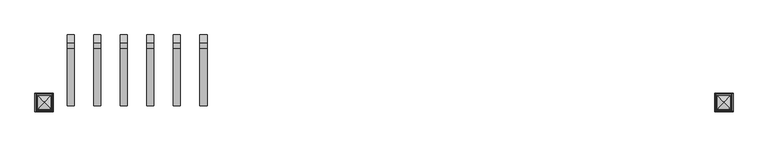
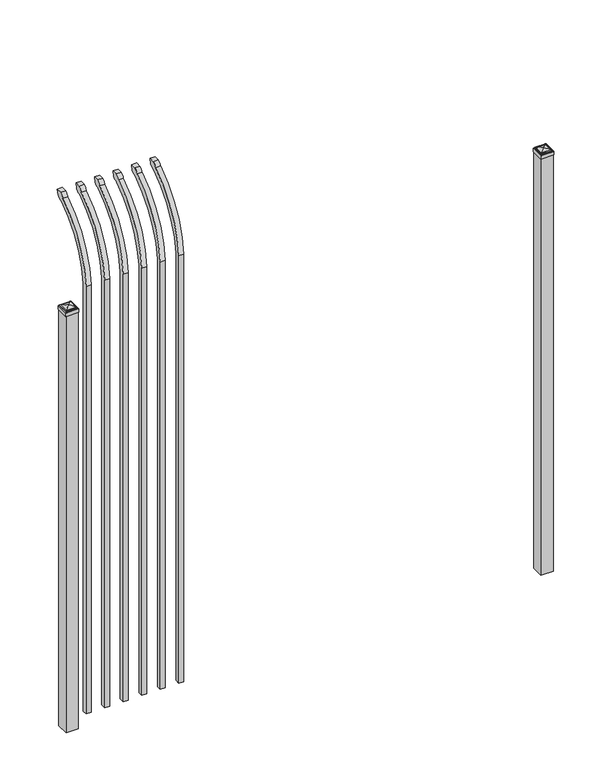
"""IFC4 building model written with IfcOpenShell, lengths in millimetres: railing geometry."""

from ifc_helpers import new_model, si_unit, point, frame, origin, origin_with_axes, place, context, project, spatial, polyline, circle_curve, ellipse_curve, trimmed, outline, extrude, source, transform, mapped, element, save
from ifc_brep_helpers import plane_surface, cylinder_surface, revolved_surface, extruded_surface, advanced_brep


def railing_1227f535(model_context):
    return source(origin(), model_context, "Body", "SolidModel", [
        advanced_brep(
        [(20603.9350064, 10381.619541, 50.8), (20603.9350064, 10381.619541, 2368.7226889), (20603.9350064, 10578.7326851, 2700.9022378), (20603.9350064, 10605.2407099, 2715.5867549), (20603.9350064, 10611.1100864, 2743.2), (20603.9350064, 10582.8799449, 2743.2), (20603.9350064, 10563.4931591, 2722.2682561), (20603.9350064, 10356.219541, 2368.7226889), (20603.9350064, 10356.219541, 50.8), (20578.5350064, 10381.619541, 50.8), (20578.5350064, 10381.619541, 2368.7226889), (20578.5350064, 10356.219541, 2368.7226889), (20578.5350064, 10356.219541, 50.8), (20578.5350064, 10563.4931591, 2722.2682561), (20578.5350064, 10582.8799449, 2743.2), (20578.5350064, 10611.1100864, 2743.2), (20578.5350064, 10605.2407099, 2715.5867549), (20578.5350064, 10578.7326851, 2700.9022378)],
        [
            (0, 1),
            (1, 2, circle_curve(frame((20603.9350064, 10818.9874207, 2333.7640776), z_axis=(-1.0, 0.0, 0.0), x_axis=(0.0, 1.0, 0.0)), 438.7627681)),
            (2, 3, ellipse_curve(frame((20603.9350064, 10586.5579376, 2723.3180619), z_axis=(1.0, 0.0, 0.0), x_axis=(0.0, -0.7771459614569761, -0.6293203910498311)), 26.7460194, 19.05)),
            (3, 4),
            (4, 5),
            (5, 6, ellipse_curve(frame((20603.9350064, 10586.5579376, 2723.3180619), z_axis=(0.9999999999999999, 0.0, 0.0), x_axis=(0.0, -0.7771459614569763, -0.6293203910498306)), 26.7460194, 19.05)),
            (6, 7, circle_curve(frame((20603.9350064, 10818.0333244, 2335.5065933), z_axis=(1.0, 0.0, 0.0), x_axis=(0.0, 1.0, 0.0)), 463.0067812)),
            (7, 8),
            (8, 0),
            (0, 9),
            (9, 10),
            (10, 1),
            (7, 11),
            (11, 12),
            (12, 8),
            (12, 9),
            (11, 13, circle_curve(frame((20578.5350064, 10818.0333244, 2335.5065933), z_axis=(-1.0, 0.0, 0.0), x_axis=(0.0, 1.0, 0.0)), 463.0067812)),
            (13, 14, ellipse_curve(frame((20578.5350064, 10586.5579376, 2723.3180619), z_axis=(-0.9999999999999999, 0.0, 0.0), x_axis=(0.0, -0.7771459614569763, -0.6293203910498306)), 26.7460194, 19.05)),
            (14, 15),
            (15, 16),
            (16, 17, ellipse_curve(frame((20578.5350064, 10586.5579376, 2723.3180619), z_axis=(-1.0, 0.0, 0.0), x_axis=(0.0, -0.7771459614569761, -0.6293203910498311)), 26.7460194, 19.05)),
            (17, 10, circle_curve(frame((20578.5350064, 10818.9874207, 2333.7640776), z_axis=(1.0, 0.0, 0.0), x_axis=(0.0, 1.0, 0.0)), 438.7627681)),
            (17, 2),
            (16, 3),
            (15, 4),
            (14, 5),
            (13, 6),
        ],
        [
            plane_surface(frame((20603.9350064, 10381.619541, 50.8), z_axis=(1.0, 0.0, 0.0), x_axis=(0.0, 0.0, 1.0))),
            plane_surface(frame((20603.9350064, 10381.619541, 50.8), z_axis=(0.0, 1.0, 0.0), x_axis=(-1.0, 0.0, 0.0))),
            plane_surface(frame((20603.9350064, 10356.219541, 2368.7226889), z_axis=(0.0, -1.0, 0.0), x_axis=(-1.0, 0.0, 0.0))),
            plane_surface(frame((20603.9350064, 10356.219541, 50.8), z_axis=(0.0, 0.0, -1.0), x_axis=(-1.0, 0.0, 0.0))),
            plane_surface(frame((20578.5350064, 10381.619541, 50.8), z_axis=(-1.0, 0.0, 0.0), x_axis=(0.0, 0.0, -1.0))),
            revolved_surface(polyline([(20578.5350064, 11257.750188799999, 2333.7640776), (20603.9350064, 11257.750188799999, 2333.7640776)]), (20578.5350064, 10818.9874207, 2333.7640776), (-1.0, 0.0, 0.0)),
            extruded_surface(trimmed(ellipse_curve(frame((20553.1350064, 10586.5579376, 2723.3180619), z_axis=(1.0, 0.0, 0.0), x_axis=(0.0, -0.7771459614569761, -0.6293203910498311)), 26.7460194, 19.05), [point((20553.1350064, 10578.7326851, 2700.9022378))], [point((20553.1350064, 10605.2407099, 2715.5867549))], True, "CARTESIAN"), (25.400000000001455, 0.0, 0.0), 25.400000000001455),
            plane_surface(frame((20603.9350064, 10605.2407099, 2715.5867549), z_axis=(0.0, 0.9781476007337995, -0.2079116908177883), x_axis=(-1.0, 0.0, 0.0))),
            plane_surface(frame((20603.9350064, 10611.1100864, 2743.2), z_axis=(0.0, 0.0, 1.0), x_axis=(-1.0, 0.0, 0.0))),
            extruded_surface(trimmed(ellipse_curve(frame((20553.1350064, 10586.5579376, 2723.3180619), z_axis=(0.9999999999999999, 0.0, 0.0), x_axis=(0.0, -0.7771459614569763, -0.6293203910498306)), 26.7460194, 19.05), [point((20553.1350064, 10582.8799449, 2743.2))], [point((20553.1350064, 10563.4931591, 2722.2682561))], True, "CARTESIAN"), (25.400000000001455, 0.0, 0.0), 25.400000000001455),
            cylinder_surface(frame((20578.5350064, 10818.0333244, 2335.5065933), z_axis=(1.0, 0.0, 0.0), x_axis=(0.0, 1.0, 0.0)), 463.0067812),
        ],
        [
            (0, [[1, 2, 3, 4, 5, 6, 7, 8, 9]]),
            (1, [[-1, 10, 11, 12]]),
            (2, [[-8, 13, 14, 15]]),
            (3, [[-9, -15, 16, -10]]),
            (4, [[-16, -14, 17, 18, 19, 20, 21, 22, -11]]),
            (5, [[-2, -12, -22, 23]]),
            (6, [[-3, -23, -21, 24]]),
            (7, [[-4, -24, -20, 25]]),
            (8, [[-5, -25, -19, 26]]),
            (9, [[-6, -26, -18, 27]]),
            (10, [[-7, -27, -17, -13]]),
        ],
    ),
        advanced_brep(
        [(20508.6850064, 10381.619541, 50.8), (20508.6850064, 10381.619541, 2368.7226889), (20508.6850064, 10578.7326851, 2700.9022378), (20508.6850064, 10605.2407099, 2715.5867549), (20508.6850064, 10611.1100864, 2743.2), (20508.6850064, 10582.8799449, 2743.2), (20508.6850064, 10563.4931591, 2722.2682561), (20508.6850064, 10356.219541, 2368.7226889), (20508.6850064, 10356.219541, 50.8), (20483.2850064, 10381.619541, 50.8), (20483.2850064, 10381.619541, 2368.7226889), (20483.2850064, 10356.219541, 2368.7226889), (20483.2850064, 10356.219541, 50.8), (20483.2850064, 10563.4931591, 2722.2682561), (20483.2850064, 10582.8799449, 2743.2), (20483.2850064, 10611.1100864, 2743.2), (20483.2850064, 10605.2407099, 2715.5867549), (20483.2850064, 10578.7326851, 2700.9022378)],
        [
            (0, 1),
            (1, 2, circle_curve(frame((20508.6850064, 10818.9874207, 2333.7640776), z_axis=(-1.0, 0.0, 0.0), x_axis=(0.0, 1.0, 0.0)), 438.7627681)),
            (2, 3, ellipse_curve(frame((20508.6850064, 10586.5579376, 2723.3180619), z_axis=(1.0, 0.0, 0.0), x_axis=(0.0, -0.7771459614569761, -0.6293203910498311)), 26.7460194, 19.05)),
            (3, 4),
            (4, 5),
            (5, 6, ellipse_curve(frame((20508.6850064, 10586.5579376, 2723.3180619), z_axis=(0.9999999999999999, 0.0, 0.0), x_axis=(0.0, -0.7771459614569763, -0.6293203910498306)), 26.7460194, 19.05)),
            (6, 7, circle_curve(frame((20508.6850064, 10818.0333244, 2335.5065933), z_axis=(1.0, 0.0, 0.0), x_axis=(0.0, 1.0, 0.0)), 463.0067812)),
            (7, 8),
            (8, 0),
            (0, 9),
            (9, 10),
            (10, 1),
            (7, 11),
            (11, 12),
            (12, 8),
            (12, 9),
            (11, 13, circle_curve(frame((20483.2850064, 10818.0333244, 2335.5065933), z_axis=(-1.0, 0.0, 0.0), x_axis=(0.0, 1.0, 0.0)), 463.0067812)),
            (13, 14, ellipse_curve(frame((20483.2850064, 10586.5579376, 2723.3180619), z_axis=(-0.9999999999999999, 0.0, 0.0), x_axis=(0.0, -0.7771459614569763, -0.6293203910498306)), 26.7460194, 19.05)),
            (14, 15),
            (15, 16),
            (16, 17, ellipse_curve(frame((20483.2850064, 10586.5579376, 2723.3180619), z_axis=(-1.0, 0.0, 0.0), x_axis=(0.0, -0.7771459614569761, -0.6293203910498311)), 26.7460194, 19.05)),
            (17, 10, circle_curve(frame((20483.2850064, 10818.9874207, 2333.7640776), z_axis=(1.0, 0.0, 0.0), x_axis=(0.0, 1.0, 0.0)), 438.7627681)),
            (17, 2),
            (16, 3),
            (15, 4),
            (14, 5),
            (13, 6),
        ],
        [
            plane_surface(frame((20508.6850064, 10381.619541, 50.8), z_axis=(1.0, 0.0, 0.0), x_axis=(0.0, 0.0, 1.0))),
            plane_surface(frame((20508.6850064, 10381.619541, 50.8), z_axis=(0.0, 1.0, 0.0), x_axis=(-1.0, 0.0, 0.0))),
            plane_surface(frame((20508.6850064, 10356.219541, 2368.7226889), z_axis=(0.0, -1.0, 0.0), x_axis=(-1.0, 0.0, 0.0))),
            plane_surface(frame((20508.6850064, 10356.219541, 50.8), z_axis=(0.0, 0.0, -1.0), x_axis=(-1.0, 0.0, 0.0))),
            plane_surface(frame((20483.2850064, 10381.619541, 50.8), z_axis=(-1.0, 0.0, 0.0), x_axis=(0.0, 0.0, -1.0))),
            revolved_surface(polyline([(20483.2850064, 11257.750188799999, 2333.7640776), (20508.6850064, 11257.750188799999, 2333.7640776)]), (20483.2850064, 10818.9874207, 2333.7640776), (-1.0, 0.0, 0.0)),
            extruded_surface(trimmed(ellipse_curve(frame((20457.8850064, 10586.5579376, 2723.3180619), z_axis=(1.0, 0.0, 0.0), x_axis=(0.0, -0.7771459614569761, -0.6293203910498311)), 26.7460194, 19.05), [point((20457.8850064, 10578.7326851, 2700.9022378))], [point((20457.8850064, 10605.2407099, 2715.5867549))], True, "CARTESIAN"), (25.400000000001455, 0.0, 0.0), 25.400000000001455),
            plane_surface(frame((20508.6850064, 10605.2407099, 2715.5867549), z_axis=(0.0, 0.9781476007337995, -0.2079116908177883), x_axis=(-1.0, 0.0, 0.0))),
            plane_surface(frame((20508.6850064, 10611.1100864, 2743.2), z_axis=(0.0, 0.0, 1.0), x_axis=(-1.0, 0.0, 0.0))),
            extruded_surface(trimmed(ellipse_curve(frame((20457.8850064, 10586.5579376, 2723.3180619), z_axis=(0.9999999999999999, 0.0, 0.0), x_axis=(0.0, -0.7771459614569763, -0.6293203910498306)), 26.7460194, 19.05), [point((20457.8850064, 10582.8799449, 2743.2))], [point((20457.8850064, 10563.4931591, 2722.2682561))], True, "CARTESIAN"), (25.400000000001455, 0.0, 0.0), 25.400000000001455),
            cylinder_surface(frame((20483.2850064, 10818.0333244, 2335.5065933), z_axis=(1.0, 0.0, 0.0), x_axis=(0.0, 1.0, 0.0)), 463.0067812),
        ],
        [
            (0, [[1, 2, 3, 4, 5, 6, 7, 8, 9]]),
            (1, [[-1, 10, 11, 12]]),
            (2, [[-8, 13, 14, 15]]),
            (3, [[-9, -15, 16, -10]]),
            (4, [[-16, -14, 17, 18, 19, 20, 21, 22, -11]]),
            (5, [[-2, -12, -22, 23]]),
            (6, [[-3, -23, -21, 24]]),
            (7, [[-4, -24, -20, 25]]),
            (8, [[-5, -25, -19, 26]]),
            (9, [[-6, -26, -18, 27]]),
            (10, [[-7, -27, -17, -13]]),
        ],
    ),
        advanced_brep(
        [(20413.4350064, 10381.619541, 50.8), (20413.4350064, 10381.619541, 2368.7226889), (20413.4350064, 10578.7326851, 2700.9022378), (20413.4350064, 10605.2407099, 2715.5867549), (20413.4350064, 10611.1100864, 2743.2), (20413.4350064, 10582.8799449, 2743.2), (20413.4350064, 10563.4931591, 2722.2682561), (20413.4350064, 10356.219541, 2368.7226889), (20413.4350064, 10356.219541, 50.8), (20388.0350064, 10381.619541, 50.8), (20388.0350064, 10381.619541, 2368.7226889), (20388.0350064, 10356.219541, 2368.7226889), (20388.0350064, 10356.219541, 50.8), (20388.0350064, 10563.4931591, 2722.2682561), (20388.0350064, 10582.8799449, 2743.2), (20388.0350064, 10611.1100864, 2743.2), (20388.0350064, 10605.2407099, 2715.5867549), (20388.0350064, 10578.7326851, 2700.9022378)],
        [
            (0, 1),
            (1, 2, circle_curve(frame((20413.4350064, 10818.9874207, 2333.7640776), z_axis=(-1.0, 0.0, 0.0), x_axis=(0.0, 1.0, 0.0)), 438.7627681)),
            (2, 3, ellipse_curve(frame((20413.4350064, 10586.5579376, 2723.3180619), z_axis=(1.0, 0.0, 0.0), x_axis=(0.0, -0.7771459614569761, -0.6293203910498311)), 26.7460194, 19.05)),
            (3, 4),
            (4, 5),
            (5, 6, ellipse_curve(frame((20413.4350064, 10586.5579376, 2723.3180619), z_axis=(0.9999999999999999, 0.0, 0.0), x_axis=(0.0, -0.7771459614569763, -0.6293203910498306)), 26.7460194, 19.05)),
            (6, 7, circle_curve(frame((20413.4350064, 10818.0333244, 2335.5065933), z_axis=(1.0, 0.0, 0.0), x_axis=(0.0, 1.0, 0.0)), 463.0067812)),
            (7, 8),
            (8, 0),
            (0, 9),
            (9, 10),
            (10, 1),
            (7, 11),
            (11, 12),
            (12, 8),
            (12, 9),
            (11, 13, circle_curve(frame((20388.0350064, 10818.0333244, 2335.5065933), z_axis=(-1.0, 0.0, 0.0), x_axis=(0.0, 1.0, 0.0)), 463.0067812)),
            (13, 14, ellipse_curve(frame((20388.0350064, 10586.5579376, 2723.3180619), z_axis=(-0.9999999999999999, 0.0, 0.0), x_axis=(0.0, -0.7771459614569763, -0.6293203910498306)), 26.7460194, 19.05)),
            (14, 15),
            (15, 16),
            (16, 17, ellipse_curve(frame((20388.0350064, 10586.5579376, 2723.3180619), z_axis=(-1.0, 0.0, 0.0), x_axis=(0.0, -0.7771459614569761, -0.6293203910498311)), 26.7460194, 19.05)),
            (17, 10, circle_curve(frame((20388.0350064, 10818.9874207, 2333.7640776), z_axis=(1.0, 0.0, 0.0), x_axis=(0.0, 1.0, 0.0)), 438.7627681)),
            (17, 2),
            (16, 3),
            (15, 4),
            (14, 5),
            (13, 6),
        ],
        [
            plane_surface(frame((20413.4350064, 10381.619541, 50.8), z_axis=(1.0, 0.0, 0.0), x_axis=(0.0, 0.0, 1.0))),
            plane_surface(frame((20413.4350064, 10381.619541, 50.8), z_axis=(0.0, 1.0, 0.0), x_axis=(-1.0, 0.0, 0.0))),
            plane_surface(frame((20413.4350064, 10356.219541, 2368.7226889), z_axis=(0.0, -1.0, 0.0), x_axis=(-1.0, 0.0, 0.0))),
            plane_surface(frame((20413.4350064, 10356.219541, 50.8), z_axis=(0.0, 0.0, -1.0), x_axis=(-1.0, 0.0, 0.0))),
            plane_surface(frame((20388.0350064, 10381.619541, 50.8), z_axis=(-1.0, 0.0, 0.0), x_axis=(0.0, 0.0, -1.0))),
            revolved_surface(polyline([(20388.0350064, 11257.750188799999, 2333.7640776), (20413.4350064, 11257.750188799999, 2333.7640776)]), (20388.0350064, 10818.9874207, 2333.7640776), (-1.0, 0.0, 0.0)),
            extruded_surface(trimmed(ellipse_curve(frame((20362.6350064, 10586.5579376, 2723.3180619), z_axis=(1.0, 0.0, 0.0), x_axis=(0.0, -0.7771459614569761, -0.6293203910498311)), 26.7460194, 19.05), [point((20362.6350064, 10578.7326851, 2700.9022378))], [point((20362.6350064, 10605.2407099, 2715.5867549))], True, "CARTESIAN"), (25.400000000001455, 0.0, 0.0), 25.400000000001455),
            plane_surface(frame((20413.4350064, 10605.2407099, 2715.5867549), z_axis=(0.0, 0.9781476007337995, -0.2079116908177883), x_axis=(-1.0, 0.0, 0.0))),
            plane_surface(frame((20413.4350064, 10611.1100864, 2743.2), z_axis=(0.0, 0.0, 1.0), x_axis=(-1.0, 0.0, 0.0))),
            extruded_surface(trimmed(ellipse_curve(frame((20362.6350064, 10586.5579376, 2723.3180619), z_axis=(0.9999999999999999, 0.0, 0.0), x_axis=(0.0, -0.7771459614569763, -0.6293203910498306)), 26.7460194, 19.05), [point((20362.6350064, 10582.8799449, 2743.2))], [point((20362.6350064, 10563.4931591, 2722.2682561))], True, "CARTESIAN"), (25.400000000001455, 0.0, 0.0), 25.400000000001455),
            cylinder_surface(frame((20388.0350064, 10818.0333244, 2335.5065933), z_axis=(1.0, 0.0, 0.0), x_axis=(0.0, 1.0, 0.0)), 463.0067812),
        ],
        [
            (0, [[1, 2, 3, 4, 5, 6, 7, 8, 9]]),
            (1, [[-1, 10, 11, 12]]),
            (2, [[-8, 13, 14, 15]]),
            (3, [[-9, -15, 16, -10]]),
            (4, [[-16, -14, 17, 18, 19, 20, 21, 22, -11]]),
            (5, [[-2, -12, -22, 23]]),
            (6, [[-3, -23, -21, 24]]),
            (7, [[-4, -24, -20, 25]]),
            (8, [[-5, -25, -19, 26]]),
            (9, [[-6, -26, -18, 27]]),
            (10, [[-7, -27, -17, -13]]),
        ],
    ),
        advanced_brep(
        [(20318.1850064, 10381.619541, 50.8), (20318.1850064, 10381.619541, 2368.7226889), (20318.1850064, 10578.7326851, 2700.9022378), (20318.1850064, 10605.2407099, 2715.5867549), (20318.1850064, 10611.1100864, 2743.2), (20318.1850064, 10582.8799449, 2743.2), (20318.1850064, 10563.4931591, 2722.2682561), (20318.1850064, 10356.219541, 2368.7226889), (20318.1850064, 10356.219541, 50.8), (20292.7850064, 10381.619541, 50.8), (20292.7850064, 10381.619541, 2368.7226889), (20292.7850064, 10356.219541, 2368.7226889), (20292.7850064, 10356.219541, 50.8), (20292.7850064, 10563.4931591, 2722.2682561), (20292.7850064, 10582.8799449, 2743.2), (20292.7850064, 10611.1100864, 2743.2), (20292.7850064, 10605.2407099, 2715.5867549), (20292.7850064, 10578.7326851, 2700.9022378)],
        [
            (0, 1),
            (1, 2, circle_curve(frame((20318.1850064, 10818.9874207, 2333.7640776), z_axis=(-1.0, 0.0, 0.0), x_axis=(0.0, 1.0, 0.0)), 438.7627681)),
            (2, 3, ellipse_curve(frame((20318.1850064, 10586.5579376, 2723.3180619), z_axis=(1.0, 0.0, 0.0), x_axis=(0.0, -0.7771459614569761, -0.6293203910498311)), 26.7460194, 19.05)),
            (3, 4),
            (4, 5),
            (5, 6, ellipse_curve(frame((20318.1850064, 10586.5579376, 2723.3180619), z_axis=(0.9999999999999999, 0.0, 0.0), x_axis=(0.0, -0.7771459614569763, -0.6293203910498306)), 26.7460194, 19.05)),
            (6, 7, circle_curve(frame((20318.1850064, 10818.0333244, 2335.5065933), z_axis=(1.0, 0.0, 0.0), x_axis=(0.0, 1.0, 0.0)), 463.0067812)),
            (7, 8),
            (8, 0),
            (0, 9),
            (9, 10),
            (10, 1),
            (7, 11),
            (11, 12),
            (12, 8),
            (12, 9),
            (11, 13, circle_curve(frame((20292.7850064, 10818.0333244, 2335.5065933), z_axis=(-1.0, 0.0, 0.0), x_axis=(0.0, 1.0, 0.0)), 463.0067812)),
            (13, 14, ellipse_curve(frame((20292.7850064, 10586.5579376, 2723.3180619), z_axis=(-0.9999999999999999, 0.0, 0.0), x_axis=(0.0, -0.7771459614569763, -0.6293203910498306)), 26.7460194, 19.05)),
            (14, 15),
            (15, 16),
            (16, 17, ellipse_curve(frame((20292.7850064, 10586.5579376, 2723.3180619), z_axis=(-1.0, 0.0, 0.0), x_axis=(0.0, -0.7771459614569761, -0.6293203910498311)), 26.7460194, 19.05)),
            (17, 10, circle_curve(frame((20292.7850064, 10818.9874207, 2333.7640776), z_axis=(1.0, 0.0, 0.0), x_axis=(0.0, 1.0, 0.0)), 438.7627681)),
            (17, 2),
            (16, 3),
            (15, 4),
            (14, 5),
            (13, 6),
        ],
        [
            plane_surface(frame((20318.1850064, 10381.619541, 50.8), z_axis=(1.0, 0.0, 0.0), x_axis=(0.0, 0.0, 1.0))),
            plane_surface(frame((20318.1850064, 10381.619541, 50.8), z_axis=(0.0, 1.0, 0.0), x_axis=(-1.0, 0.0, 0.0))),
            plane_surface(frame((20318.1850064, 10356.219541, 2368.7226889), z_axis=(0.0, -1.0, 0.0), x_axis=(-1.0, 0.0, 0.0))),
            plane_surface(frame((20318.1850064, 10356.219541, 50.8), z_axis=(0.0, 0.0, -1.0), x_axis=(-1.0, 0.0, 0.0))),
            plane_surface(frame((20292.7850064, 10381.619541, 50.8), z_axis=(-1.0, 0.0, 0.0), x_axis=(0.0, 0.0, -1.0))),
            revolved_surface(polyline([(20292.7850064, 11257.750188799999, 2333.7640776), (20318.1850064, 11257.750188799999, 2333.7640776)]), (20292.7850064, 10818.9874207, 2333.7640776), (-1.0, 0.0, 0.0)),
            extruded_surface(trimmed(ellipse_curve(frame((20267.3850064, 10586.5579376, 2723.3180619), z_axis=(1.0, 0.0, 0.0), x_axis=(0.0, -0.7771459614569761, -0.6293203910498311)), 26.7460194, 19.05), [point((20267.3850064, 10578.7326851, 2700.9022378))], [point((20267.3850064, 10605.2407099, 2715.5867549))], True, "CARTESIAN"), (25.400000000001455, 0.0, 0.0), 25.400000000001455),
            plane_surface(frame((20318.1850064, 10605.2407099, 2715.5867549), z_axis=(0.0, 0.9781476007337995, -0.2079116908177883), x_axis=(-1.0, 0.0, 0.0))),
            plane_surface(frame((20318.1850064, 10611.1100864, 2743.2), z_axis=(0.0, 0.0, 1.0), x_axis=(-1.0, 0.0, 0.0))),
            extruded_surface(trimmed(ellipse_curve(frame((20267.3850064, 10586.5579376, 2723.3180619), z_axis=(0.9999999999999999, 0.0, 0.0), x_axis=(0.0, -0.7771459614569763, -0.6293203910498306)), 26.7460194, 19.05), [point((20267.3850064, 10582.8799449, 2743.2))], [point((20267.3850064, 10563.4931591, 2722.2682561))], True, "CARTESIAN"), (25.400000000001455, 0.0, 0.0), 25.400000000001455),
            cylinder_surface(frame((20292.7850064, 10818.0333244, 2335.5065933), z_axis=(1.0, 0.0, 0.0), x_axis=(0.0, 1.0, 0.0)), 463.0067812),
        ],
        [
            (0, [[1, 2, 3, 4, 5, 6, 7, 8, 9]]),
            (1, [[-1, 10, 11, 12]]),
            (2, [[-8, 13, 14, 15]]),
            (3, [[-9, -15, 16, -10]]),
            (4, [[-16, -14, 17, 18, 19, 20, 21, 22, -11]]),
            (5, [[-2, -12, -22, 23]]),
            (6, [[-3, -23, -21, 24]]),
            (7, [[-4, -24, -20, 25]]),
            (8, [[-5, -25, -19, 26]]),
            (9, [[-6, -26, -18, 27]]),
            (10, [[-7, -27, -17, -13]]),
        ],
    ),
        advanced_brep(
        [(20222.9350064, 10381.619541, 50.8), (20222.9350064, 10381.619541, 2368.7226889), (20222.9350064, 10578.7326851, 2700.9022378), (20222.9350064, 10605.2407099, 2715.5867549), (20222.9350064, 10611.1100864, 2743.2), (20222.9350064, 10582.8799449, 2743.2), (20222.9350064, 10563.4931591, 2722.2682561), (20222.9350064, 10356.219541, 2368.7226889), (20222.9350064, 10356.219541, 50.8), (20197.5350064, 10381.619541, 50.8), (20197.5350064, 10381.619541, 2368.7226889), (20197.5350064, 10356.219541, 2368.7226889), (20197.5350064, 10356.219541, 50.8), (20197.5350064, 10563.4931591, 2722.2682561), (20197.5350064, 10582.8799449, 2743.2), (20197.5350064, 10611.1100864, 2743.2), (20197.5350064, 10605.2407099, 2715.5867549), (20197.5350064, 10578.7326851, 2700.9022378)],
        [
            (0, 1),
            (1, 2, circle_curve(frame((20222.9350064, 10818.9874207, 2333.7640776), z_axis=(-1.0, 0.0, 0.0), x_axis=(0.0, 1.0, 0.0)), 438.7627681)),
            (2, 3, ellipse_curve(frame((20222.9350064, 10586.5579376, 2723.3180619), z_axis=(1.0, 0.0, 0.0), x_axis=(0.0, -0.7771459614569761, -0.6293203910498311)), 26.7460194, 19.05)),
            (3, 4),
            (4, 5),
            (5, 6, ellipse_curve(frame((20222.9350064, 10586.5579376, 2723.3180619), z_axis=(0.9999999999999999, 0.0, 0.0), x_axis=(0.0, -0.7771459614569763, -0.6293203910498306)), 26.7460194, 19.05)),
            (6, 7, circle_curve(frame((20222.9350064, 10818.0333244, 2335.5065933), z_axis=(1.0, 0.0, 0.0), x_axis=(0.0, 1.0, 0.0)), 463.0067812)),
            (7, 8),
            (8, 0),
            (0, 9),
            (9, 10),
            (10, 1),
            (7, 11),
            (11, 12),
            (12, 8),
            (12, 9),
            (11, 13, circle_curve(frame((20197.5350064, 10818.0333244, 2335.5065933), z_axis=(-1.0, 0.0, 0.0), x_axis=(0.0, 1.0, 0.0)), 463.0067812)),
            (13, 14, ellipse_curve(frame((20197.5350064, 10586.5579376, 2723.3180619), z_axis=(-0.9999999999999999, 0.0, 0.0), x_axis=(0.0, -0.7771459614569763, -0.6293203910498306)), 26.7460194, 19.05)),
            (14, 15),
            (15, 16),
            (16, 17, ellipse_curve(frame((20197.5350064, 10586.5579376, 2723.3180619), z_axis=(-1.0, 0.0, 0.0), x_axis=(0.0, -0.7771459614569761, -0.6293203910498311)), 26.7460194, 19.05)),
            (17, 10, circle_curve(frame((20197.5350064, 10818.9874207, 2333.7640776), z_axis=(1.0, 0.0, 0.0), x_axis=(0.0, 1.0, 0.0)), 438.7627681)),
            (17, 2),
            (16, 3),
            (15, 4),
            (14, 5),
            (13, 6),
        ],
        [
            plane_surface(frame((20222.9350064, 10381.619541, 50.8), z_axis=(1.0, 0.0, 0.0), x_axis=(0.0, 0.0, 1.0))),
            plane_surface(frame((20222.9350064, 10381.619541, 50.8), z_axis=(0.0, 1.0, 0.0), x_axis=(-1.0, 0.0, 0.0))),
            plane_surface(frame((20222.9350064, 10356.219541, 2368.7226889), z_axis=(0.0, -1.0, 0.0), x_axis=(-1.0, 0.0, 0.0))),
            plane_surface(frame((20222.9350064, 10356.219541, 50.8), z_axis=(0.0, 0.0, -1.0), x_axis=(-1.0, 0.0, 0.0))),
            plane_surface(frame((20197.5350064, 10381.619541, 50.8), z_axis=(-1.0, 0.0, 0.0), x_axis=(0.0, 0.0, -1.0))),
            revolved_surface(polyline([(20197.5350064, 11257.750188799999, 2333.7640776), (20222.9350064, 11257.750188799999, 2333.7640776)]), (20197.5350064, 10818.9874207, 2333.7640776), (-1.0, 0.0, 0.0)),
            extruded_surface(trimmed(ellipse_curve(frame((20172.1350064, 10586.5579376, 2723.3180619), z_axis=(1.0, 0.0, 0.0), x_axis=(0.0, -0.7771459614569761, -0.6293203910498311)), 26.7460194, 19.05), [point((20172.1350064, 10578.7326851, 2700.9022378))], [point((20172.1350064, 10605.2407099, 2715.5867549))], True, "CARTESIAN"), (25.400000000001455, 0.0, 0.0), 25.400000000001455),
            plane_surface(frame((20222.9350064, 10605.2407099, 2715.5867549), z_axis=(0.0, 0.9781476007337995, -0.2079116908177883), x_axis=(-1.0, 0.0, 0.0))),
            plane_surface(frame((20222.9350064, 10611.1100864, 2743.2), z_axis=(0.0, 0.0, 1.0), x_axis=(-1.0, 0.0, 0.0))),
            extruded_surface(trimmed(ellipse_curve(frame((20172.1350064, 10586.5579376, 2723.3180619), z_axis=(0.9999999999999999, 0.0, 0.0), x_axis=(0.0, -0.7771459614569763, -0.6293203910498306)), 26.7460194, 19.05), [point((20172.1350064, 10582.8799449, 2743.2))], [point((20172.1350064, 10563.4931591, 2722.2682561))], True, "CARTESIAN"), (25.400000000001455, 0.0, 0.0), 25.400000000001455),
            cylinder_surface(frame((20197.5350064, 10818.0333244, 2335.5065933), z_axis=(1.0, 0.0, 0.0), x_axis=(0.0, 1.0, 0.0)), 463.0067812),
        ],
        [
            (0, [[1, 2, 3, 4, 5, 6, 7, 8, 9]]),
            (1, [[-1, 10, 11, 12]]),
            (2, [[-8, 13, 14, 15]]),
            (3, [[-9, -15, 16, -10]]),
            (4, [[-16, -14, 17, 18, 19, 20, 21, 22, -11]]),
            (5, [[-2, -12, -22, 23]]),
            (6, [[-3, -23, -21, 24]]),
            (7, [[-4, -24, -20, 25]]),
            (8, [[-5, -25, -19, 26]]),
            (9, [[-6, -26, -18, 27]]),
            (10, [[-7, -27, -17, -13]]),
        ],
    ),
        advanced_brep(
        [(20127.6850064, 10381.619541, 50.8), (20127.6850064, 10381.619541, 2368.7226889), (20127.6850064, 10578.7326851, 2700.9022378), (20127.6850064, 10605.2407099, 2715.5867549), (20127.6850064, 10611.1100864, 2743.2), (20127.6850064, 10582.8799449, 2743.2), (20127.6850064, 10563.4931591, 2722.2682561), (20127.6850064, 10356.219541, 2368.7226889), (20127.6850064, 10356.219541, 50.8), (20102.2850064, 10381.619541, 50.8), (20102.2850064, 10381.619541, 2368.7226889), (20102.2850064, 10356.219541, 2368.7226889), (20102.2850064, 10356.219541, 50.8), (20102.2850064, 10563.4931591, 2722.2682561), (20102.2850064, 10582.8799449, 2743.2), (20102.2850064, 10611.1100864, 2743.2), (20102.2850064, 10605.2407099, 2715.5867549), (20102.2850064, 10578.7326851, 2700.9022378)],
        [
            (0, 1),
            (1, 2, circle_curve(frame((20127.6850064, 10818.9874207, 2333.7640776), z_axis=(-1.0, 0.0, 0.0), x_axis=(0.0, 1.0, 0.0)), 438.7627681)),
            (2, 3, ellipse_curve(frame((20127.6850064, 10586.5579376, 2723.3180619), z_axis=(1.0, 0.0, 0.0), x_axis=(0.0, -0.7771459614569761, -0.6293203910498311)), 26.7460194, 19.05)),
            (3, 4),
            (4, 5),
            (5, 6, ellipse_curve(frame((20127.6850064, 10586.5579376, 2723.3180619), z_axis=(0.9999999999999999, 0.0, 0.0), x_axis=(0.0, -0.7771459614569763, -0.6293203910498306)), 26.7460194, 19.05)),
            (6, 7, circle_curve(frame((20127.6850064, 10818.0333244, 2335.5065933), z_axis=(1.0, 0.0, 0.0), x_axis=(0.0, 1.0, 0.0)), 463.0067812)),
            (7, 8),
            (8, 0),
            (0, 9),
            (9, 10),
            (10, 1),
            (7, 11),
            (11, 12),
            (12, 8),
            (12, 9),
            (11, 13, circle_curve(frame((20102.2850064, 10818.0333244, 2335.5065933), z_axis=(-1.0, 0.0, 0.0), x_axis=(0.0, 1.0, 0.0)), 463.0067812)),
            (13, 14, ellipse_curve(frame((20102.2850064, 10586.5579376, 2723.3180619), z_axis=(-0.9999999999999999, 0.0, 0.0), x_axis=(0.0, -0.7771459614569763, -0.6293203910498306)), 26.7460194, 19.05)),
            (14, 15),
            (15, 16),
            (16, 17, ellipse_curve(frame((20102.2850064, 10586.5579376, 2723.3180619), z_axis=(-1.0, 0.0, 0.0), x_axis=(0.0, -0.7771459614569761, -0.6293203910498311)), 26.7460194, 19.05)),
            (17, 10, circle_curve(frame((20102.2850064, 10818.9874207, 2333.7640776), z_axis=(1.0, 0.0, 0.0), x_axis=(0.0, 1.0, 0.0)), 438.7627681)),
            (17, 2),
            (16, 3),
            (15, 4),
            (14, 5),
            (13, 6),
        ],
        [
            plane_surface(frame((20127.6850064, 10381.619541, 50.8), z_axis=(1.0, 0.0, 0.0), x_axis=(0.0, 0.0, 1.0))),
            plane_surface(frame((20127.6850064, 10381.619541, 50.8), z_axis=(0.0, 1.0, 0.0), x_axis=(-1.0, 0.0, 0.0))),
            plane_surface(frame((20127.6850064, 10356.219541, 2368.7226889), z_axis=(0.0, -1.0, 0.0), x_axis=(-1.0, 0.0, 0.0))),
            plane_surface(frame((20127.6850064, 10356.219541, 50.8), z_axis=(0.0, 0.0, -1.0), x_axis=(-1.0, 0.0, 0.0))),
            plane_surface(frame((20102.2850064, 10381.619541, 50.8), z_axis=(-1.0, 0.0, 0.0), x_axis=(0.0, 0.0, -1.0))),
            revolved_surface(polyline([(20102.2850064, 11257.750188799999, 2333.7640776), (20127.6850064, 11257.750188799999, 2333.7640776)]), (20102.2850064, 10818.9874207, 2333.7640776), (-1.0, 0.0, 0.0)),
            extruded_surface(trimmed(ellipse_curve(frame((20076.8850064, 10586.5579376, 2723.3180619), z_axis=(1.0, 0.0, 0.0), x_axis=(0.0, -0.7771459614569761, -0.6293203910498311)), 26.7460194, 19.05), [point((20076.8850064, 10578.7326851, 2700.9022378))], [point((20076.8850064, 10605.2407099, 2715.5867549))], True, "CARTESIAN"), (25.400000000001455, 0.0, 0.0), 25.400000000001455),
            plane_surface(frame((20127.6850064, 10605.2407099, 2715.5867549), z_axis=(0.0, 0.9781476007337995, -0.2079116908177883), x_axis=(-1.0, 0.0, 0.0))),
            plane_surface(frame((20127.6850064, 10611.1100864, 2743.2), z_axis=(0.0, 0.0, 1.0), x_axis=(-1.0, 0.0, 0.0))),
            extruded_surface(trimmed(ellipse_curve(frame((20076.8850064, 10586.5579376, 2723.3180619), z_axis=(0.9999999999999999, 0.0, 0.0), x_axis=(0.0, -0.7771459614569763, -0.6293203910498306)), 26.7460194, 19.05), [point((20076.8850064, 10582.8799449, 2743.2))], [point((20076.8850064, 10563.4931591, 2722.2682561))], True, "CARTESIAN"), (25.400000000001455, 0.0, 0.0), 25.400000000001455),
            cylinder_surface(frame((20102.2850064, 10818.0333244, 2335.5065933), z_axis=(1.0, 0.0, 0.0), x_axis=(0.0, 1.0, 0.0)), 463.0067812),
        ],
        [
            (0, [[1, 2, 3, 4, 5, 6, 7, 8, 9]]),
            (1, [[-1, 10, 11, 12]]),
            (2, [[-8, 13, 14, 15]]),
            (3, [[-9, -15, 16, -10]]),
            (4, [[-16, -14, 17, 18, 19, 20, 21, 22, -11]]),
            (5, [[-2, -12, -22, 23]]),
            (6, [[-3, -23, -21, 24]]),
            (7, [[-4, -24, -20, 25]]),
            (8, [[-5, -25, -19, 26]]),
            (9, [[-6, -26, -18, 27]]),
            (10, [[-7, -27, -17, -13]]),
        ],
    ),
        extrude(outline(polyline([(22489.8850064, 10400.669541), (22489.8850064, 10337.169541), (22426.3850064, 10337.169541), (22426.3850064, 10400.669541), (22489.8850064, 10400.669541)])), origin_with_axes(), (0.0, 0.0, 1.0), 2259.0125),
        advanced_brep(
        [(22424.7975064, 10402.257041, 2277.26875), (22424.7975064, 10402.257041, 2259.0125), (22424.7975064, 10335.582041, 2259.0125), (22424.7975064, 10335.582041, 2277.26875), (22427.1787564, 10399.875791, 2279.65), (22427.1787564, 10337.963291, 2279.65), (22429.5600064, 10397.494541, 2282.03125), (22429.5600064, 10397.494541, 2279.65), (22429.5600064, 10340.344541, 2279.65), (22429.5600064, 10340.344541, 2282.03125), (22431.9412564, 10395.113291, 2284.4125), (22431.9412564, 10342.725791, 2284.4125), (22458.1350064, 10368.919541, 2290.7625), (22434.3225064, 10392.732041, 2284.4125), (22434.3225064, 10345.107041, 2284.4125), (22491.4725064, 10335.582041, 2259.0125), (22491.4725064, 10335.582041, 2277.26875), (22489.0912564, 10337.963291, 2279.65), (22486.7100064, 10340.344541, 2279.65), (22486.7100064, 10340.344541, 2282.03125), (22484.3287564, 10342.725791, 2284.4125), (22481.9475064, 10345.107041, 2284.4125), (22491.4725064, 10402.257041, 2259.0125), (22491.4725064, 10402.257041, 2277.26875), (22489.0912564, 10399.875791, 2279.65), (22486.7100064, 10397.494541, 2279.65), (22486.7100064, 10397.494541, 2282.03125), (22484.3287564, 10395.113291, 2284.4125), (22481.9475064, 10392.732041, 2284.4125)],
        [
            (0, 1),
            (1, 2),
            (2, 3),
            (3, 0),
            (4, 0, ellipse_curve(frame((22427.1787564, 10399.875791, 2277.26875), z_axis=(-0.70710678118655, -0.7071067811865449, 0.0), x_axis=(-0.7071067811865448, 0.7071067811865501, 0.0)), 3.367596, 2.38125)),
            (3, 5, ellipse_curve(frame((22427.1787564, 10337.963291, 2277.26875), z_axis=(-0.7071067811865449, 0.70710678118655, 0.0), x_axis=(0.7071067811865499, 0.707106781186545, 0.0)), 3.367596, 2.38125)),
            (5, 4),
            (6, 7),
            (7, 8),
            (8, 9),
            (9, 6),
            (10, 6, ellipse_curve(frame((22431.9412564, 10395.113291, 2282.03125), z_axis=(-0.70710678118655, -0.7071067811865449, 0.0), x_axis=(-0.7071067811865448, 0.7071067811865501, 0.0)), 3.367596, 2.38125)),
            (9, 11, ellipse_curve(frame((22431.9412564, 10342.725791, 2282.03125), z_axis=(-0.7071067811865449, 0.70710678118655, 0.0), x_axis=(0.7071067811865499, 0.707106781186545, 0.0)), 3.367596, 2.38125)),
            (11, 10),
            (12, 13, ellipse_curve(frame((22458.1350064, 10368.919541, 2242.9390625), z_axis=(-0.70710678118655, -0.7071067811865449, 0.0), x_axis=(-0.7071067811865448, 0.7071067811865501, 0.0)), 67.6325539, 47.8234375)),
            (13, 14),
            (14, 12, ellipse_curve(frame((22458.1350064, 10368.919541, 2242.9390625), z_axis=(-0.7071067811865449, 0.70710678118655, 0.0), x_axis=(0.7071067811865499, 0.707106781186545, 0.0)), 67.6325539, 47.8234375)),
            (2, 15),
            (15, 16),
            (16, 3),
            (16, 17, ellipse_curve(frame((22489.0912564, 10337.963291, 2277.26875), z_axis=(-0.70710678118655, -0.707106781186545, 0.0), x_axis=(-0.707106781186545, 0.70710678118655, 0.0)), 3.367596, 2.38125)),
            (17, 5),
            (8, 18),
            (18, 19),
            (19, 9),
            (19, 20, ellipse_curve(frame((22484.3287564, 10342.725791, 2282.03125), z_axis=(-0.70710678118655, -0.707106781186545, 0.0), x_axis=(-0.707106781186545, 0.70710678118655, 0.0)), 3.367596, 2.38125)),
            (20, 11),
            (14, 21),
            (21, 12, ellipse_curve(frame((22458.1350064, 10368.919541, 2242.9390625), z_axis=(-0.70710678118655, -0.707106781186545, 0.0), x_axis=(-0.707106781186545, 0.70710678118655, 0.0)), 67.6325539, 47.8234375)),
            (15, 22),
            (22, 23),
            (23, 16),
            (23, 24, ellipse_curve(frame((22489.0912564, 10399.875791, 2277.26875), z_axis=(0.707106781186545, -0.7071067811865499, 0.0), x_axis=(-0.7071067811865497, -0.7071067811865452, 0.0)), 3.367596, 2.38125)),
            (24, 17),
            (18, 25),
            (25, 26),
            (26, 19),
            (26, 27, ellipse_curve(frame((22484.3287564, 10395.113291, 2282.03125), z_axis=(0.707106781186545, -0.7071067811865499, 0.0), x_axis=(-0.7071067811865497, -0.7071067811865452, 0.0)), 3.367596, 2.38125)),
            (27, 20),
            (21, 28),
            (28, 12, ellipse_curve(frame((22458.1350064, 10368.919541, 2242.9390625), z_axis=(0.707106781186545, -0.7071067811865499, 0.0), x_axis=(-0.7071067811865497, -0.7071067811865452, 0.0)), 67.6325539, 47.8234375)),
            (22, 1),
            (0, 23),
            (4, 24),
            (7, 25),
            (6, 26),
            (10, 27),
            (13, 28),
        ],
        [
            plane_surface(frame((22424.7975064, 10402.257041, 2259.0125), z_axis=(-1.0, 0.0, 0.0), x_axis=(0.0, -1.0, 0.0))),
            cylinder_surface(frame((22427.1787564, 10400.669541, 2277.26875), z_axis=(0.0, 1.0, 0.0), x_axis=(1.0, 0.0, 0.0)), 2.38125),
            plane_surface(frame((22429.5600064, 10397.494541, 2279.65), z_axis=(-1.0, 0.0, 0.0), x_axis=(0.0, -1.0, 0.0))),
            cylinder_surface(frame((22431.9412564, 10400.669541, 2282.03125), z_axis=(0.0, 1.0, 0.0), x_axis=(1.0, 0.0, 0.0)), 2.38125),
            cylinder_surface(frame((22458.1350064, 10400.669541, 2242.9390625), z_axis=(0.0, 1.0, 0.0), x_axis=(1.0, 0.0, 0.0)), 47.8234375),
            plane_surface(frame((22424.7975064, 10335.582041, 2259.0125), z_axis=(0.0, -1.0, 0.0), x_axis=(1.0, 0.0, 0.0))),
            cylinder_surface(frame((22426.3850064, 10337.963291, 2277.26875), z_axis=(-1.0, 0.0, 0.0), x_axis=(0.0, 1.0, 0.0)), 2.38125),
            plane_surface(frame((22429.5600064, 10340.344541, 2279.65), z_axis=(0.0, -1.0, 0.0), x_axis=(1.0, 0.0, 0.0))),
            cylinder_surface(frame((22426.3850064, 10342.725791, 2282.03125), z_axis=(-1.0, 0.0, 0.0), x_axis=(0.0, 1.0, 0.0)), 2.38125),
            cylinder_surface(frame((22426.3850064, 10368.919541, 2242.9390625), z_axis=(-1.0, 0.0, 0.0), x_axis=(0.0, 1.0, 0.0)), 47.8234375),
            plane_surface(frame((22491.4725064, 10335.582041, 2259.0125), z_axis=(1.0, 0.0, 0.0), x_axis=(0.0, 1.0, 0.0))),
            cylinder_surface(frame((22489.0912564, 10337.169541, 2277.26875), z_axis=(0.0, -1.0, 0.0), x_axis=(-1.0, 0.0, 0.0)), 2.38125),
            plane_surface(frame((22486.7100064, 10340.344541, 2279.65), z_axis=(1.0, 0.0, 0.0), x_axis=(0.0, 1.0, 0.0))),
            cylinder_surface(frame((22484.3287564, 10337.169541, 2282.03125), z_axis=(0.0, -1.0, 0.0), x_axis=(-1.0, 0.0, 0.0)), 2.38125),
            cylinder_surface(frame((22458.1350064, 10337.169541, 2242.9390625), z_axis=(0.0, -1.0, 0.0), x_axis=(-1.0, 0.0, 0.0)), 47.8234375),
            plane_surface(frame((22491.4725064, 10402.257041, 2259.0125), z_axis=(0.0, 1.0, 0.0), x_axis=(-1.0, 0.0, 0.0))),
            cylinder_surface(frame((22489.8850064, 10399.875791, 2277.26875), z_axis=(1.0, 0.0, 0.0), x_axis=(0.0, -1.0, 0.0)), 2.38125),
            plane_surface(frame((22489.0912564, 10399.875791, 2279.65), z_axis=(0.0, 0.0, 1.0), x_axis=(-1.0, 0.0, 0.0))),
            plane_surface(frame((22486.7100064, 10397.494541, 2279.65), z_axis=(0.0, 1.0, 0.0), x_axis=(-1.0, 0.0, 0.0))),
            cylinder_surface(frame((22489.8850064, 10395.113291, 2282.03125), z_axis=(1.0, 0.0, 0.0), x_axis=(0.0, -1.0, 0.0)), 2.38125),
            plane_surface(frame((22484.3287564, 10395.113291, 2284.4125), z_axis=(0.0, 0.0, 1.0), x_axis=(-1.0, 0.0, 0.0))),
            cylinder_surface(frame((22489.8850064, 10368.919541, 2242.9390625), z_axis=(1.0, 0.0, 0.0), x_axis=(0.0, -1.0, 0.0)), 47.8234375),
            plane_surface(frame((22458.1350064, 10368.919541, 2259.0125), z_axis=(0.0, 0.0, -1.0), x_axis=(-1.0, 0.0, 0.0))),
        ],
        [
            (0, [[1, 2, 3, 4]]),
            (1, [[5, -4, 6, 7]]),
            (2, [[8, 9, 10, 11]]),
            (3, [[12, -11, 13, 14]]),
            (4, [[15, 16, 17]]),
            (5, [[-3, 18, 19, 20]]),
            (6, [[-6, -20, 21, 22]]),
            (7, [[-10, 23, 24, 25]]),
            (8, [[-13, -25, 26, 27]]),
            (9, [[-17, 28, 29]]),
            (10, [[-19, 30, 31, 32]]),
            (11, [[-21, -32, 33, 34]]),
            (12, [[-24, 35, 36, 37]]),
            (13, [[-26, -37, 38, 39]]),
            (14, [[-29, 40, 41]]),
            (15, [[-31, 42, -1, 43]]),
            (16, [[-33, -43, -5, 44]]),
            (17, [[-22, -34, -44, -7], [45, -35, -23, -9]]),
            (18, [[-36, -45, -8, 46]]),
            (19, [[-38, -46, -12, 47]]),
            (20, [[-27, -39, -47, -14], [48, -40, -28, -16]]),
            (21, [[-41, -48, -15]]),
            (22, [[-42, -30, -18, -2]]),
        ],
    ),
        extrude(outline(polyline([(20051.4850064, 10400.669541), (20051.4850064, 10337.169541), (19987.9850064, 10337.169541), (19987.9850064, 10400.669541), (20051.4850064, 10400.669541)])), origin_with_axes(), (0.0, 0.0, 1.0), 2259.0125),
        advanced_brep(
        [(19986.3975064, 10402.257041, 2277.26875), (19986.3975064, 10402.257041, 2259.0125), (19986.3975064, 10335.582041, 2259.0125), (19986.3975064, 10335.582041, 2277.26875), (19988.7787564, 10399.875791, 2279.65), (19988.7787564, 10337.963291, 2279.65), (19991.1600064, 10397.494541, 2282.03125), (19991.1600064, 10397.494541, 2279.65), (19991.1600064, 10340.344541, 2279.65), (19991.1600064, 10340.344541, 2282.03125), (19993.5412564, 10395.113291, 2284.4125), (19993.5412564, 10342.725791, 2284.4125), (20019.7350064, 10368.919541, 2290.7625), (19995.9225064, 10392.732041, 2284.4125), (19995.9225064, 10345.107041, 2284.4125), (20053.0725064, 10335.582041, 2259.0125), (20053.0725064, 10335.582041, 2277.26875), (20050.6912564, 10337.963291, 2279.65), (20048.3100064, 10340.344541, 2279.65), (20048.3100064, 10340.344541, 2282.03125), (20045.9287564, 10342.725791, 2284.4125), (20043.5475064, 10345.107041, 2284.4125), (20053.0725064, 10402.257041, 2259.0125), (20053.0725064, 10402.257041, 2277.26875), (20050.6912564, 10399.875791, 2279.65), (20048.3100064, 10397.494541, 2279.65), (20048.3100064, 10397.494541, 2282.03125), (20045.9287564, 10395.113291, 2284.4125), (20043.5475064, 10392.732041, 2284.4125)],
        [
            (0, 1),
            (1, 2),
            (2, 3),
            (3, 0),
            (4, 0, ellipse_curve(frame((19988.7787564, 10399.875791, 2277.26875), z_axis=(-0.70710678118655, -0.7071067811865449, 0.0), x_axis=(-0.7071067811865448, 0.7071067811865501, 0.0)), 3.367596, 2.38125)),
            (3, 5, ellipse_curve(frame((19988.7787564, 10337.963291, 2277.26875), z_axis=(-0.7071067811865449, 0.70710678118655, 0.0), x_axis=(0.7071067811865499, 0.707106781186545, 0.0)), 3.367596, 2.38125)),
            (5, 4),
            (6, 7),
            (7, 8),
            (8, 9),
            (9, 6),
            (10, 6, ellipse_curve(frame((19993.5412564, 10395.113291, 2282.03125), z_axis=(-0.70710678118655, -0.7071067811865449, 0.0), x_axis=(-0.7071067811865448, 0.7071067811865501, 0.0)), 3.367596, 2.38125)),
            (9, 11, ellipse_curve(frame((19993.5412564, 10342.725791, 2282.03125), z_axis=(-0.7071067811865449, 0.70710678118655, 0.0), x_axis=(0.7071067811865499, 0.707106781186545, 0.0)), 3.367596, 2.38125)),
            (11, 10),
            (12, 13, ellipse_curve(frame((20019.7350064, 10368.919541, 2242.9390625), z_axis=(-0.70710678118655, -0.7071067811865449, 0.0), x_axis=(-0.7071067811865448, 0.7071067811865501, 0.0)), 67.6325539, 47.8234375)),
            (13, 14),
            (14, 12, ellipse_curve(frame((20019.7350064, 10368.919541, 2242.9390625), z_axis=(-0.7071067811865449, 0.70710678118655, 0.0), x_axis=(0.7071067811865499, 0.707106781186545, 0.0)), 67.6325539, 47.8234375)),
            (2, 15),
            (15, 16),
            (16, 3),
            (16, 17, ellipse_curve(frame((20050.6912564, 10337.963291, 2277.26875), z_axis=(-0.70710678118655, -0.707106781186545, 0.0), x_axis=(-0.707106781186545, 0.70710678118655, 0.0)), 3.367596, 2.38125)),
            (17, 5),
            (8, 18),
            (18, 19),
            (19, 9),
            (19, 20, ellipse_curve(frame((20045.9287564, 10342.725791, 2282.03125), z_axis=(-0.70710678118655, -0.707106781186545, 0.0), x_axis=(-0.707106781186545, 0.70710678118655, 0.0)), 3.367596, 2.38125)),
            (20, 11),
            (14, 21),
            (21, 12, ellipse_curve(frame((20019.7350064, 10368.919541, 2242.9390625), z_axis=(-0.70710678118655, -0.707106781186545, 0.0), x_axis=(-0.707106781186545, 0.70710678118655, 0.0)), 67.6325539, 47.8234375)),
            (15, 22),
            (22, 23),
            (23, 16),
            (23, 24, ellipse_curve(frame((20050.6912564, 10399.875791, 2277.26875), z_axis=(0.707106781186545, -0.7071067811865499, 0.0), x_axis=(-0.7071067811865497, -0.7071067811865452, 0.0)), 3.367596, 2.38125)),
            (24, 17),
            (18, 25),
            (25, 26),
            (26, 19),
            (26, 27, ellipse_curve(frame((20045.9287564, 10395.113291, 2282.03125), z_axis=(0.707106781186545, -0.7071067811865499, 0.0), x_axis=(-0.7071067811865497, -0.7071067811865452, 0.0)), 3.367596, 2.38125)),
            (27, 20),
            (21, 28),
            (28, 12, ellipse_curve(frame((20019.7350064, 10368.919541, 2242.9390625), z_axis=(0.707106781186545, -0.7071067811865499, 0.0), x_axis=(-0.7071067811865497, -0.7071067811865452, 0.0)), 67.6325539, 47.8234375)),
            (22, 1),
            (0, 23),
            (4, 24),
            (7, 25),
            (6, 26),
            (10, 27),
            (13, 28),
        ],
        [
            plane_surface(frame((19986.3975064, 10402.257041, 2259.0125), z_axis=(-1.0, 0.0, 0.0), x_axis=(0.0, -1.0, 0.0))),
            cylinder_surface(frame((19988.7787564, 10400.669541, 2277.26875), z_axis=(0.0, 1.0, 0.0), x_axis=(1.0, 0.0, 0.0)), 2.38125),
            plane_surface(frame((19991.1600064, 10397.494541, 2279.65), z_axis=(-1.0, 0.0, 0.0), x_axis=(0.0, -1.0, 0.0))),
            cylinder_surface(frame((19993.5412564, 10400.669541, 2282.03125), z_axis=(0.0, 1.0, 0.0), x_axis=(1.0, 0.0, 0.0)), 2.38125),
            cylinder_surface(frame((20019.7350064, 10400.669541, 2242.9390625), z_axis=(0.0, 1.0, 0.0), x_axis=(1.0, 0.0, 0.0)), 47.8234375),
            plane_surface(frame((19986.3975064, 10335.582041, 2259.0125), z_axis=(0.0, -1.0, 0.0), x_axis=(1.0, 0.0, 0.0))),
            cylinder_surface(frame((19987.9850064, 10337.963291, 2277.26875), z_axis=(-1.0, 0.0, 0.0), x_axis=(0.0, 1.0, 0.0)), 2.38125),
            plane_surface(frame((19991.1600064, 10340.344541, 2279.65), z_axis=(0.0, -1.0, 0.0), x_axis=(1.0, 0.0, 0.0))),
            cylinder_surface(frame((19987.9850064, 10342.725791, 2282.03125), z_axis=(-1.0, 0.0, 0.0), x_axis=(0.0, 1.0, 0.0)), 2.38125),
            cylinder_surface(frame((19987.9850064, 10368.919541, 2242.9390625), z_axis=(-1.0, 0.0, 0.0), x_axis=(0.0, 1.0, 0.0)), 47.8234375),
            plane_surface(frame((20053.0725064, 10335.582041, 2259.0125), z_axis=(1.0, 0.0, 0.0), x_axis=(0.0, 1.0, 0.0))),
            cylinder_surface(frame((20050.6912564, 10337.169541, 2277.26875), z_axis=(0.0, -1.0, 0.0), x_axis=(-1.0, 0.0, 0.0)), 2.38125),
            plane_surface(frame((20048.3100064, 10340.344541, 2279.65), z_axis=(1.0, 0.0, 0.0), x_axis=(0.0, 1.0, 0.0))),
            cylinder_surface(frame((20045.9287564, 10337.169541, 2282.03125), z_axis=(0.0, -1.0, 0.0), x_axis=(-1.0, 0.0, 0.0)), 2.38125),
            cylinder_surface(frame((20019.7350064, 10337.169541, 2242.9390625), z_axis=(0.0, -1.0, 0.0), x_axis=(-1.0, 0.0, 0.0)), 47.8234375),
            plane_surface(frame((20053.0725064, 10402.257041, 2259.0125), z_axis=(0.0, 1.0, 0.0), x_axis=(-1.0, 0.0, 0.0))),
            cylinder_surface(frame((20051.4850064, 10399.875791, 2277.26875), z_axis=(1.0, 0.0, 0.0), x_axis=(0.0, -1.0, 0.0)), 2.38125),
            plane_surface(frame((20050.6912564, 10399.875791, 2279.65), z_axis=(0.0, 0.0, 1.0), x_axis=(-1.0, 0.0, 0.0))),
            plane_surface(frame((20048.3100064, 10397.494541, 2279.65), z_axis=(0.0, 1.0, 0.0), x_axis=(-1.0, 0.0, 0.0))),
            cylinder_surface(frame((20051.4850064, 10395.113291, 2282.03125), z_axis=(1.0, 0.0, 0.0), x_axis=(0.0, -1.0, 0.0)), 2.38125),
            plane_surface(frame((20045.9287564, 10395.113291, 2284.4125), z_axis=(0.0, 0.0, 1.0), x_axis=(-1.0, 0.0, 0.0))),
            cylinder_surface(frame((20051.4850064, 10368.919541, 2242.9390625), z_axis=(1.0, 0.0, 0.0), x_axis=(0.0, -1.0, 0.0)), 47.8234375),
            plane_surface(frame((20019.7350064, 10368.919541, 2259.0125), z_axis=(0.0, 0.0, -1.0), x_axis=(-1.0, 0.0, 0.0))),
        ],
        [
            (0, [[1, 2, 3, 4]]),
            (1, [[5, -4, 6, 7]]),
            (2, [[8, 9, 10, 11]]),
            (3, [[12, -11, 13, 14]]),
            (4, [[15, 16, 17]]),
            (5, [[-3, 18, 19, 20]]),
            (6, [[-6, -20, 21, 22]]),
            (7, [[-10, 23, 24, 25]]),
            (8, [[-13, -25, 26, 27]]),
            (9, [[-17, 28, 29]]),
            (10, [[-19, 30, 31, 32]]),
            (11, [[-21, -32, 33, 34]]),
            (12, [[-24, 35, 36, 37]]),
            (13, [[-26, -37, 38, 39]]),
            (14, [[-29, 40, 41]]),
            (15, [[-31, 42, -1, 43]]),
            (16, [[-33, -43, -5, 44]]),
            (17, [[-22, -34, -44, -7], [45, -35, -23, -9]]),
            (18, [[-36, -45, -8, 46]]),
            (19, [[-38, -46, -12, 47]]),
            (20, [[-27, -39, -47, -14], [48, -40, -28, -16]]),
            (21, [[-41, -48, -15]]),
            (22, [[-42, -30, -18, -2]]),
        ],
    ),
    ])


if __name__ == "__main__":
    model = new_model("IFC4")
    model_context = context("Model", 3, world=origin())
    ifc_project = project(units=[si_unit("LENGTHUNIT", "METRE", prefix="MILLI")], contexts=[model_context])
    site = spatial("IfcSite", under=ifc_project)
    building = spatial("IfcBuilding", under=site)
    placement = place(None, origin())
    railing_shape = railing_1227f535(model_context)
    element("IfcRailing", 1, at=placement, inside=building, context=model_context, shape_type="MappedRepresentation", body=[
        mapped(railing_shape, transform((0.0, 0.0, 0.0), x_axis=(1.0, 0.0, 0.0), y_axis=(0.0, 1.0, 0.0), z_axis=(0.0, 0.0, 1.0))),
    ])
    save(model, "model.ifc")
